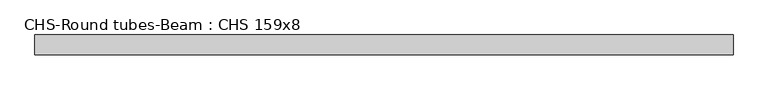
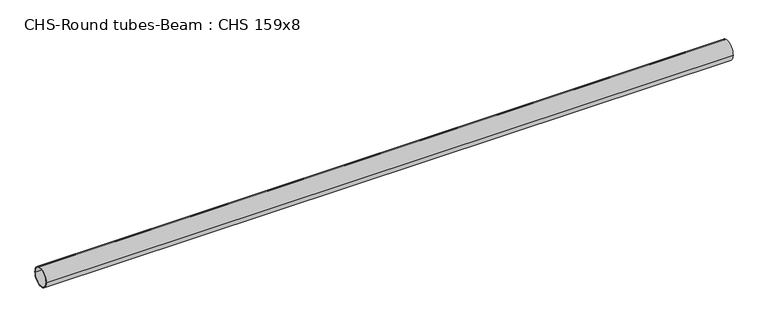
"""IFC4 building model written with IfcOpenShell, lengths in millimetres: beam geometry, CHS-Round tubes-Beam : CHS 159x8."""

import ifcopenshell
import ifcopenshell.guid

model = None  # the IFC model being written
_history = None  # IfcOwnerHistory: only IFC2X3 demands one
_inside = {}  # id of a spatial element -> (the spatial element, [elements in it])
_under = {}  # id of a project, library or spatial element -> (it, [spatial elements below it])
_declared = {}  # id of a project -> (the project, [libraries it declares])
_typed = {}  # id of a type object -> (the type object, [elements of that type])
_made_of = {}  # id of a material, layer set ... -> (it, [elements and type objects made of it])


def new_model(schema):
    """Start an empty IFC model of exactly this schema.

    Asked for "IFC4X3", IfcOpenShell would pick the latest addendum, in which some entities
    have other attributes; the version numbers below select the first issue.
    IFC2X3 requires an IfcOwnerHistory on every rooted entity: one is made here for all.
    """
    global model, _history
    if schema == "IFC4X3":
        model = ifcopenshell.file(schema_version=(4, 3, 0, 0))
    else:
        model = ifcopenshell.file(schema=schema)
    _inside.clear()
    _under.clear()
    _declared.clear()
    _typed.clear()
    _made_of.clear()
    _history = None
    if model.schema == "IFC2X3":
        org = make("IfcOrganization", Name="unknown")
        user = make(
            "IfcPersonAndOrganization",
            ThePerson=make("IfcPerson", FamilyName="unknown"),
            TheOrganization=org,
        )
        app = make(
            "IfcApplication",
            ApplicationDeveloper=org,
            Version="unknown",
            ApplicationFullName="unknown",
            ApplicationIdentifier="unknown",
        )
        _history = make(
            "IfcOwnerHistory",
            OwningUser=user,
            OwningApplication=app,
            ChangeAction="ADDED",
            CreationDate=0,
        )
    return model


def make(cls, **values):
    """One entity of the class cls with the attributes given. An attribute that is None is left unset."""
    return model.create_entity(
        cls, **{name: value for name, value in values.items() if value is not None}
    )


def rooted(cls, **values):
    """An entity with a GlobalId (a new one), such as an element, a storey or a relation."""
    return make(cls, GlobalId=ifcopenshell.guid.new(), OwnerHistory=_history, **values)


def si_unit(unit_type, name, prefix=None):
    """IfcSIUnit, for example si_unit("LENGTHUNIT", "METRE", prefix="MILLI")."""
    return make("IfcSIUnit", UnitType=unit_type, Prefix=prefix, Name=name)


def assignment(units):
    """IfcUnitAssignment: the units of a project."""
    return None if units is None else make("IfcUnitAssignment", Units=units)


def point(xyz):
    """IfcCartesianPoint."""
    return None if xyz is None else make("IfcCartesianPoint", Coordinates=xyz)


def direction(xyz):
    """IfcDirection."""
    return None if xyz is None else make("IfcDirection", DirectionRatios=xyz)


def frame(location, z_axis=None, x_axis=None):
    """IfcAxis2Placement3D, a coordinate frame: its origin and axes. An axis left out is left unset."""
    return make(
        "IfcAxis2Placement3D",
        Location=point(location),
        Axis=direction(z_axis),
        RefDirection=direction(x_axis),
    )


def frame_2d(location, x_axis=None):
    """IfcAxis2Placement2D, a coordinate frame in the plane: its origin and x axis."""
    return make(
        "IfcAxis2Placement2D", Location=point(location), RefDirection=direction(x_axis)
    )


def origin():
    """The frame at (0, 0, 0) with its axes left unset."""
    return frame((0.0, 0.0, 0.0))


def origin_2d():
    """The frame at (0, 0) in the plane with its x axis left unset."""
    return frame_2d((0.0, 0.0))


def place(relative_to, where):
    """IfcLocalPlacement: puts the frame where relative to a parent placement (None: the world)."""
    return make(
        "IfcLocalPlacement", PlacementRelTo=relative_to, RelativePlacement=where
    )


def context(
    kind, dimensions, precision=None, world=None, true_north=None, identifier=None
):
    """IfcGeometricRepresentationContext, for example the 3D "Model" context."""
    return make(
        "IfcGeometricRepresentationContext",
        ContextIdentifier=identifier,
        ContextType=kind,
        CoordinateSpaceDimension=dimensions,
        Precision=precision,
        WorldCoordinateSystem=world,
        TrueNorth=true_north,
    )


def project(units=None, contexts=None):
    """IfcProject with its units and contexts."""
    return rooted(
        "IfcProject",
        Name="project",
        RepresentationContexts=contexts,
        UnitsInContext=assignment(units),
    )


def spatial(cls, under=None, at=None, **own):
    """A site, building, storey or space (cls), placed at a placement, below another one or the project."""
    s = rooted(cls, ObjectPlacement=at, **own)
    if under is not None:
        _under.setdefault(under.id(), (under, []))[1].append(s)
    return s


def circle_curve(where, radius):
    """IfcCircle in the frame where."""
    return make("IfcCircle", Position=where, Radius=radius)


def trimmed(basis, trim1, trim2, sense, master):
    """IfcTrimmedCurve: the piece of a basis curve between two trims."""
    return make(
        "IfcTrimmedCurve",
        BasisCurve=basis,
        Trim1=trim1,
        Trim2=trim2,
        SenseAgreement=sense,
        MasterRepresentation=master,
    )


def segment(curve, same_sense, transition):
    """IfcCompositeCurveSegment."""
    return make(
        "IfcCompositeCurveSegment",
        Transition=transition,
        SameSense=same_sense,
        ParentCurve=curve,
    )


def composite_curve(segments, self_intersect=None):
    """IfcCompositeCurve: segments joined end to end."""
    return make("IfcCompositeCurve", Segments=segments, SelfIntersect=self_intersect)


def outline(outer, holes=None, kind="AREA"):
    """IfcArbitraryClosedProfileDef: a profile drawn as a closed curve; with holes, ...WithVoids."""
    if holes is None:
        return make("IfcArbitraryClosedProfileDef", ProfileType=kind, OuterCurve=outer)
    return make(
        "IfcArbitraryProfileDefWithVoids",
        ProfileType=kind,
        OuterCurve=outer,
        InnerCurves=holes,
    )


def extrude(swept, where, along, depth):
    """IfcExtrudedAreaSolid: the profile swept, set in the frame where, extruded along a direction by depth."""
    return make(
        "IfcExtrudedAreaSolid",
        SweptArea=swept,
        Position=where,
        ExtrudedDirection=direction(along),
        Depth=depth,
    )


def shape(context_of_items, identifier, shape_type, items):
    """IfcShapeRepresentation: the items that make up one representation, for example the "Body"."""
    return make(
        "IfcShapeRepresentation",
        ContextOfItems=context_of_items,
        RepresentationIdentifier=identifier,
        RepresentationType=shape_type,
        Items=items,
    )


def source(mapping_origin, context_of_items, identifier, shape_type, items):
    """IfcRepresentationMap: a shape defined once, which mapped items show again and again."""
    return make(
        "IfcRepresentationMap",
        MappingOrigin=mapping_origin,
        MappedRepresentation=shape(context_of_items, identifier, shape_type, items),
    )


def transform(
    local_origin,
    x_axis=None,
    y_axis=None,
    z_axis=None,
    scale=None,
    scale2=None,
    scale3=None,
    uniform=True,
):
    """IfcCartesianTransformationOperator3D, or its non-uniform kind. x_axis, y_axis, z_axis: its Axis1, 2, 3."""
    if uniform:
        return make(
            "IfcCartesianTransformationOperator3D",
            Axis1=direction(x_axis),
            Axis2=direction(y_axis),
            LocalOrigin=point(local_origin),
            Scale=scale,
            Axis3=direction(z_axis),
        )
    return make(
        "IfcCartesianTransformationOperator3DnonUniform",
        Axis1=direction(x_axis),
        Axis2=direction(y_axis),
        LocalOrigin=point(local_origin),
        Scale=scale,
        Axis3=direction(z_axis),
        Scale2=scale2,
        Scale3=scale3,
    )


def mapped(mapping_source, mapping_target):
    """IfcMappedItem: shows the shape of a source again, moved by a transform."""
    return make(
        "IfcMappedItem", MappingSource=mapping_source, MappingTarget=mapping_target
    )


def made_of(thing, what):
    """Note that an element or type object is made of a material, layer set ...; save() writes the relation."""
    if what is not None:
        _made_of.setdefault(what.id(), (what, []))[1].append(thing)
    return thing


def element(
    cls,
    number,
    at=None,
    inside=None,
    cuts=None,
    type_object=None,
    material=None,
    context=None,
    identifier="Body",
    shape_type=None,
    held_by="IfcProductDefinitionShape",
    body=None,
    shapes=None,
    **own,
):
    """One element of the class cls, such as IfcWall. Its Tag is "e" and its number.

    at: its placement. inside: the storey or other place that contains it. cuts: it is an
    opening in that element (IfcRelVoidsElement). A single representation is given by context,
    identifier, shape_type and body (its items); several are given by shapes. held_by: the class
    of the entity that holds the representations. save() writes the other relations.
    """
    e = rooted(cls, Tag="e%d" % number, ObjectPlacement=at, **own)
    if body is not None:
        shapes = [shape(context, identifier, shape_type, body)]
    if shapes is not None:
        e.Representation = make(held_by, Representations=shapes)
    if inside is not None:
        _inside.setdefault(inside.id(), (inside, []))[1].append(e)
    if cuts is not None:
        rooted(
            "IfcRelVoidsElement", RelatingBuildingElement=cuts, RelatedOpeningElement=e
        )
    if type_object is not None:
        _typed.setdefault(type_object.id(), (type_object, []))[1].append(e)
    return made_of(e, material)


def aggregate(whole, parts):
    """IfcRelAggregates: a whole, such as a stair, and the parts it consists of."""
    return rooted("IfcRelAggregates", RelatingObject=whole, RelatedObjects=parts)


def save(model, path):
    """Write the relations noted so far, then the file.

    IfcRelAggregates (storeys below a building ...), IfcRelContainedInSpatialStructure (elements
    in a storey), IfcRelDefinesByType, IfcRelAssociatesMaterial and IfcRelDeclares: one each for
    every whole, place, type object, material and project.
    """
    for whole, parts in _under.values():
        aggregate(whole, parts)
    for where, things in _inside.values():
        rooted(
            "IfcRelContainedInSpatialStructure",
            RelatedElements=things,
            RelatingStructure=where,
        )
    for kind, things in _typed.values():
        rooted("IfcRelDefinesByType", RelatedObjects=things, RelatingType=kind)
    for what, things in _made_of.values():
        rooted("IfcRelAssociatesMaterial", RelatedObjects=things, RelatingMaterial=what)
    for by, libraries in _declared.values():
        rooted("IfcRelDeclares", RelatingContext=by, RelatedDefinitions=libraries)
    model.write(path)


def chs_round_tubes_beam_chs_159x8_ea5780a2(model_context):
    return source(origin(), model_context, "Body", "SweptSolid", [
        extrude(outline(composite_curve([segment(trimmed(circle_curve(origin_2d(), 79.5), [point((79.5, 0.0))], [point((-79.5, 0.0))], False, "CARTESIAN"), True, "CONTINUOUS"), segment(trimmed(circle_curve(origin_2d(), 79.5), [point((-79.5, 0.0))], [point((79.5, 0.0))], False, "CARTESIAN"), True, "CONTINUOUS")], self_intersect=False), holes=[composite_curve([segment(trimmed(circle_curve(origin_2d(), 71.5), [point((71.5, 0.0))], [point((-71.5, 0.0))], True, "CARTESIAN"), True, "CONTINUOUS"), segment(trimmed(circle_curve(origin_2d(), 71.5), [point((-71.5, 0.0))], [point((71.5, 0.0))], True, "CARTESIAN"), True, "CONTINUOUS")], self_intersect=False)]), frame((-2806.2274181, 0.0, 0.0), z_axis=(1.0, 0.0, 0.0), x_axis=(0.0, 1.0, 0.0)), (0.0, 0.0, 1.0), 5612.4548362),
    ])


if __name__ == "__main__":
    model = new_model("IFC4")
    model_context = context("Model", 3, world=origin())
    ifc_project = project(units=[si_unit("LENGTHUNIT", "METRE", prefix="MILLI")], contexts=[model_context])
    site = spatial("IfcSite", under=ifc_project)
    building = spatial("IfcBuilding", under=site)
    placement = place(None, origin())
    chs_round_tubes_beam_chs_159x8_shape = chs_round_tubes_beam_chs_159x8_ea5780a2(model_context)
    element("IfcBeam", 1, ObjectType="CHS-Round tubes-Beam : CHS 159x8", at=placement, inside=building, context=model_context, shape_type="MappedRepresentation", body=[
        mapped(chs_round_tubes_beam_chs_159x8_shape, transform((0.0, 0.0, 0.0), x_axis=(1.0, 0.0, 0.0), y_axis=(0.0, 1.0, 0.0), z_axis=(0.0, 0.0, 1.0))),
    ])
    save(model, "model.ifc")
